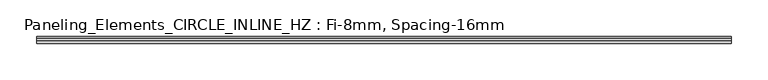
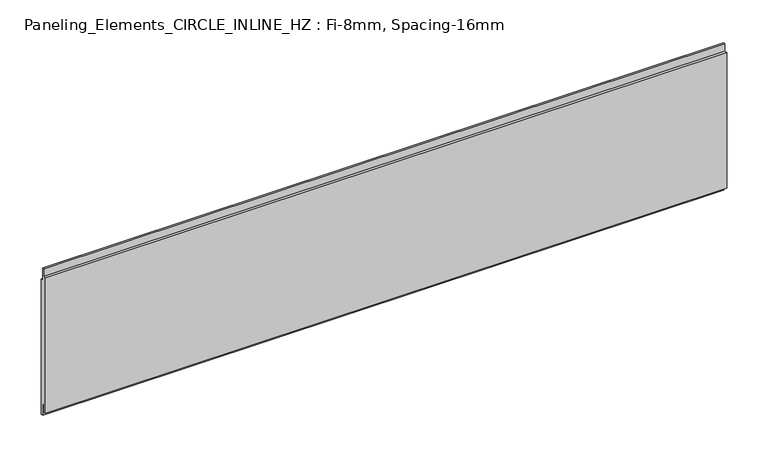
"""IFC4 building model written with IfcOpenShell, lengths in millimetres: plate geometry, Paneling_Elements_CIRCLE_INLINE_HZ : Fi-8mm, Spacing-16mm."""

from ifc_helpers import new_model, si_unit, frame, origin, place, context, project, spatial, polyline, outline, extrude, source, transform, mapped, element, save


def paneling_elements_circle_inline_hz_fi_8mm_spacing_16mm_b8d2facd(model_context):
    return source(origin(), model_context, "Body", "SweptSolid", [
        extrude(outline(polyline([(-1.0, 211.0), (2.0, 211.0), (2.0, 193.0), (5.0, 193.0), (5.0, -7.0), (2.0, -7.0), (2.0, 11.0), (-1.0, 11.0), (-1.0, 0.0), (-5.0, 0.0), (-5.0, 200.0), (-1.0, 200.0), (-1.0, 211.0)])), frame((-475.5, 0.0, 0.0), z_axis=(1.0, 0.0, 0.0), x_axis=(0.0, 1.0, 0.0)), (0.0, 0.0, 1.0), 951.0),
    ])


if __name__ == "__main__":
    model = new_model("IFC4")
    model_context = context("Model", 3, world=origin())
    ifc_project = project(units=[si_unit("LENGTHUNIT", "METRE", prefix="MILLI")], contexts=[model_context])
    site = spatial("IfcSite", under=ifc_project)
    building = spatial("IfcBuilding", under=site)
    placement = place(None, origin())
    paneling_elements_circle_inline_hz_fi_8mm_spacing_16mm_shape = paneling_elements_circle_inline_hz_fi_8mm_spacing_16mm_b8d2facd(model_context)
    element("IfcPlate", 1, ObjectType="Paneling_Elements_CIRCLE_INLINE_HZ : Fi-8mm, Spacing-16mm", at=placement, inside=building, context=model_context, shape_type="MappedRepresentation", body=[
        mapped(paneling_elements_circle_inline_hz_fi_8mm_spacing_16mm_shape, transform((0.0, 0.0, 0.0), x_axis=(1.0, 0.0, 0.0), y_axis=(0.0, 1.0, 0.0), z_axis=(0.0, 0.0, 1.0))),
    ])
    save(model, "model.ifc")
